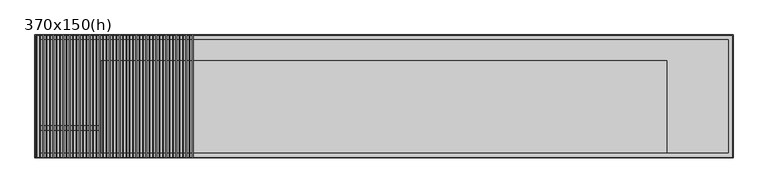
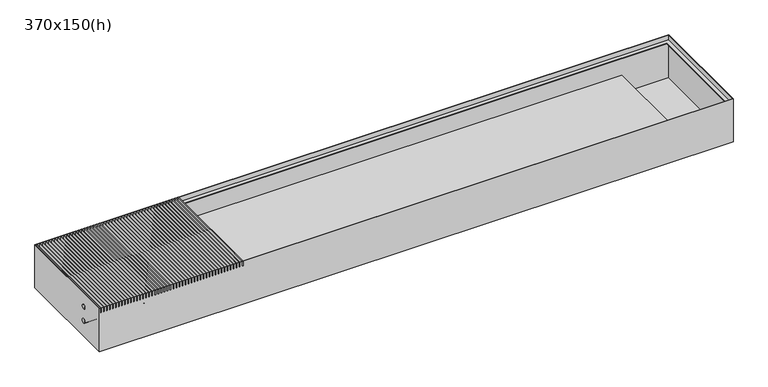
"""IFC4 building model written with IfcOpenShell, lengths in millimetres: proxy geometry, 370x150(h)."""

from ifc_helpers import new_model, si_unit, point, frame, frame_2d, origin, place, context, project, spatial, polyline, circle_curve, trimmed, segment, composite_curve, outline, extrude, faceted_brep, source, transform, mapped, element, save


def proxy_370x150_h_8a35f18a(model_context):
    return source(origin(), model_context, "Body", "SolidModel", [
        extrude(outline(polyline([(-574.0, -185.0), (-576.0, -185.0), (-576.0, 185.0), (-574.0, 185.0), (-574.0, -185.0)])), frame((0.0, 0.0, -15.0), z_axis=(0.0, 0.0, 1.0), x_axis=(1.0, 0.0, 0.0)), (0.0, 0.0, 1.0), 15.0),
        extrude(outline(polyline([(-584.0, -185.0), (-586.0, -185.0), (-586.0, 185.0), (-584.0, 185.0), (-584.0, -185.0)])), frame((0.0, 0.0, -15.0), z_axis=(0.0, 0.0, 1.0), x_axis=(1.0, 0.0, 0.0)), (0.0, 0.0, 1.0), 15.0),
        extrude(outline(polyline([(-594.0, -185.0), (-596.0, -185.0), (-596.0, 185.0), (-594.0, 185.0), (-594.0, -185.0)])), frame((0.0, 0.0, -15.0), z_axis=(0.0, 0.0, 1.0), x_axis=(1.0, 0.0, 0.0)), (0.0, 0.0, 1.0), 15.0),
        extrude(outline(polyline([(-604.0, -185.0), (-606.0, -185.0), (-606.0, 185.0), (-604.0, 185.0), (-604.0, -185.0)])), frame((0.0, 0.0, -15.0), z_axis=(0.0, 0.0, 1.0), x_axis=(1.0, 0.0, 0.0)), (0.0, 0.0, 1.0), 15.0),
        extrude(outline(polyline([(-614.0, -185.0), (-616.0, -185.0), (-616.0, 185.0), (-614.0, 185.0), (-614.0, -185.0)])), frame((0.0, 0.0, -15.0), z_axis=(0.0, 0.0, 1.0), x_axis=(1.0, 0.0, 0.0)), (0.0, 0.0, 1.0), 15.0),
        extrude(outline(polyline([(-624.0, -185.0), (-626.0, -185.0), (-626.0, 185.0), (-624.0, 185.0), (-624.0, -185.0)])), frame((0.0, 0.0, -15.0), z_axis=(0.0, 0.0, 1.0), x_axis=(1.0, 0.0, 0.0)), (0.0, 0.0, 1.0), 15.0),
        extrude(outline(polyline([(-634.0, -185.0), (-636.0, -185.0), (-636.0, 185.0), (-634.0, 185.0), (-634.0, -185.0)])), frame((0.0, 0.0, -15.0), z_axis=(0.0, 0.0, 1.0), x_axis=(1.0, 0.0, 0.0)), (0.0, 0.0, 1.0), 15.0),
        extrude(outline(polyline([(-644.0, -185.0), (-646.0, -185.0), (-646.0, 185.0), (-644.0, 185.0), (-644.0, -185.0)])), frame((0.0, 0.0, -15.0), z_axis=(0.0, 0.0, 1.0), x_axis=(1.0, 0.0, 0.0)), (0.0, 0.0, 1.0), 15.0),
        extrude(outline(polyline([(-654.0, -185.0), (-656.0, -185.0), (-656.0, 185.0), (-654.0, 185.0), (-654.0, -185.0)])), frame((0.0, 0.0, -15.0), z_axis=(0.0, 0.0, 1.0), x_axis=(1.0, 0.0, 0.0)), (0.0, 0.0, 1.0), 15.0),
        extrude(outline(polyline([(-664.0, -185.0), (-666.0, -185.0), (-666.0, 185.0), (-664.0, 185.0), (-664.0, -185.0)])), frame((0.0, 0.0, -15.0), z_axis=(0.0, 0.0, 1.0), x_axis=(1.0, 0.0, 0.0)), (0.0, 0.0, 1.0), 15.0),
        extrude(outline(polyline([(-674.0, -185.0), (-676.0, -185.0), (-676.0, 185.0), (-674.0, 185.0), (-674.0, -185.0)])), frame((0.0, 0.0, -15.0), z_axis=(0.0, 0.0, 1.0), x_axis=(1.0, 0.0, 0.0)), (0.0, 0.0, 1.0), 15.0),
        extrude(outline(polyline([(-684.0, -185.0), (-686.0, -185.0), (-686.0, 185.0), (-684.0, 185.0), (-684.0, -185.0)])), frame((0.0, 0.0, -15.0), z_axis=(0.0, 0.0, 1.0), x_axis=(1.0, 0.0, 0.0)), (0.0, 0.0, 1.0), 15.0),
        extrude(outline(polyline([(-694.0, -185.0), (-696.0, -185.0), (-696.0, 185.0), (-694.0, 185.0), (-694.0, -185.0)])), frame((0.0, 0.0, -15.0), z_axis=(0.0, 0.0, 1.0), x_axis=(1.0, 0.0, 0.0)), (0.0, 0.0, 1.0), 15.0),
        extrude(outline(polyline([(-704.0, -185.0), (-706.0, -185.0), (-706.0, 185.0), (-704.0, 185.0), (-704.0, -185.0)])), frame((0.0, 0.0, -15.0), z_axis=(0.0, 0.0, 1.0), x_axis=(1.0, 0.0, 0.0)), (0.0, 0.0, 1.0), 15.0),
        extrude(outline(polyline([(-714.0, -185.0), (-716.0, -185.0), (-716.0, 185.0), (-714.0, 185.0), (-714.0, -185.0)])), frame((0.0, 0.0, -15.0), z_axis=(0.0, 0.0, 1.0), x_axis=(1.0, 0.0, 0.0)), (0.0, 0.0, 1.0), 15.0),
        extrude(outline(polyline([(-724.0, -185.0), (-726.0, -185.0), (-726.0, 185.0), (-724.0, 185.0), (-724.0, -185.0)])), frame((0.0, 0.0, -15.0), z_axis=(0.0, 0.0, 1.0), x_axis=(1.0, 0.0, 0.0)), (0.0, 0.0, 1.0), 15.0),
        extrude(outline(polyline([(-734.0, -185.0), (-736.0, -185.0), (-736.0, 185.0), (-734.0, 185.0), (-734.0, -185.0)])), frame((0.0, 0.0, -15.0), z_axis=(0.0, 0.0, 1.0), x_axis=(1.0, 0.0, 0.0)), (0.0, 0.0, 1.0), 15.0),
        extrude(outline(polyline([(-744.0, -185.0), (-746.0, -185.0), (-746.0, 185.0), (-744.0, 185.0), (-744.0, -185.0)])), frame((0.0, 0.0, -15.0), z_axis=(0.0, 0.0, 1.0), x_axis=(1.0, 0.0, 0.0)), (0.0, 0.0, 1.0), 15.0),
        extrude(outline(polyline([(-754.0, -185.0), (-756.0, -185.0), (-756.0, 185.0), (-754.0, 185.0), (-754.0, -185.0)])), frame((0.0, 0.0, -15.0), z_axis=(0.0, 0.0, 1.0), x_axis=(1.0, 0.0, 0.0)), (0.0, 0.0, 1.0), 15.0),
        extrude(outline(polyline([(-764.0, -185.0), (-766.0, -185.0), (-766.0, 185.0), (-764.0, 185.0), (-764.0, -185.0)])), frame((0.0, 0.0, -15.0), z_axis=(0.0, 0.0, 1.0), x_axis=(1.0, 0.0, 0.0)), (0.0, 0.0, 1.0), 15.0),
        extrude(outline(polyline([(-774.0, -185.0), (-776.0, -185.0), (-776.0, 185.0), (-774.0, 185.0), (-774.0, -185.0)])), frame((0.0, 0.0, -15.0), z_axis=(0.0, 0.0, 1.0), x_axis=(1.0, 0.0, 0.0)), (0.0, 0.0, 1.0), 15.0),
        extrude(outline(polyline([(-784.0, -185.0), (-786.0, -185.0), (-786.0, 185.0), (-784.0, 185.0), (-784.0, -185.0)])), frame((0.0, 0.0, -15.0), z_axis=(0.0, 0.0, 1.0), x_axis=(1.0, 0.0, 0.0)), (0.0, 0.0, 1.0), 15.0),
        extrude(outline(polyline([(-794.0, -185.0), (-796.0, -185.0), (-796.0, 185.0), (-794.0, 185.0), (-794.0, -185.0)])), frame((0.0, 0.0, -15.0), z_axis=(0.0, 0.0, 1.0), x_axis=(1.0, 0.0, 0.0)), (0.0, 0.0, 1.0), 15.0),
        extrude(outline(polyline([(-804.0, -185.0), (-806.0, -185.0), (-806.0, 185.0), (-804.0, 185.0), (-804.0, -185.0)])), frame((0.0, 0.0, -15.0), z_axis=(0.0, 0.0, 1.0), x_axis=(1.0, 0.0, 0.0)), (0.0, 0.0, 1.0), 15.0),
        extrude(outline(polyline([(-814.0, -185.0), (-816.0, -185.0), (-816.0, 185.0), (-814.0, 185.0), (-814.0, -185.0)])), frame((0.0, 0.0, -15.0), z_axis=(0.0, 0.0, 1.0), x_axis=(1.0, 0.0, 0.0)), (0.0, 0.0, 1.0), 15.0),
        extrude(outline(polyline([(-824.0, -185.0), (-826.0, -185.0), (-826.0, 185.0), (-824.0, 185.0), (-824.0, -185.0)])), frame((0.0, 0.0, -15.0), z_axis=(0.0, 0.0, 1.0), x_axis=(1.0, 0.0, 0.0)), (0.0, 0.0, 1.0), 15.0),
        extrude(outline(polyline([(-834.0, -185.0), (-836.0, -185.0), (-836.0, 185.0), (-834.0, 185.0), (-834.0, -185.0)])), frame((0.0, 0.0, -15.0), z_axis=(0.0, 0.0, 1.0), x_axis=(1.0, 0.0, 0.0)), (0.0, 0.0, 1.0), 15.0),
        extrude(outline(polyline([(-844.0, -185.0), (-846.0, -185.0), (-846.0, 185.0), (-844.0, 185.0), (-844.0, -185.0)])), frame((0.0, 0.0, -15.0), z_axis=(0.0, 0.0, 1.0), x_axis=(1.0, 0.0, 0.0)), (0.0, 0.0, 1.0), 15.0),
        extrude(outline(polyline([(-854.0, -185.0), (-856.0, -185.0), (-856.0, 185.0), (-854.0, 185.0), (-854.0, -185.0)])), frame((0.0, 0.0, -15.0), z_axis=(0.0, 0.0, 1.0), x_axis=(1.0, 0.0, 0.0)), (0.0, 0.0, 1.0), 15.0),
        extrude(outline(polyline([(-864.0, -185.0), (-866.0, -185.0), (-866.0, 185.0), (-864.0, 185.0), (-864.0, -185.0)])), frame((0.0, 0.0, -15.0), z_axis=(0.0, 0.0, 1.0), x_axis=(1.0, 0.0, 0.0)), (0.0, 0.0, 1.0), 15.0),
        extrude(outline(polyline([(-874.0, -185.0), (-876.0, -185.0), (-876.0, 185.0), (-874.0, 185.0), (-874.0, -185.0)])), frame((0.0, 0.0, -15.0), z_axis=(0.0, 0.0, 1.0), x_axis=(1.0, 0.0, 0.0)), (0.0, 0.0, 1.0), 15.0),
        extrude(outline(polyline([(-884.0, -185.0), (-886.0, -185.0), (-886.0, 185.0), (-884.0, 185.0), (-884.0, -185.0)])), frame((0.0, 0.0, -15.0), z_axis=(0.0, 0.0, 1.0), x_axis=(1.0, 0.0, 0.0)), (0.0, 0.0, 1.0), 15.0),
        extrude(outline(polyline([(-894.0, -185.0), (-896.0, -185.0), (-896.0, 185.0), (-894.0, 185.0), (-894.0, -185.0)])), frame((0.0, 0.0, -15.0), z_axis=(0.0, 0.0, 1.0), x_axis=(1.0, 0.0, 0.0)), (0.0, 0.0, 1.0), 15.0),
        extrude(outline(polyline([(-904.0, -185.0), (-906.0, -185.0), (-906.0, 185.0), (-904.0, 185.0), (-904.0, -185.0)])), frame((0.0, 0.0, -15.0), z_axis=(0.0, 0.0, 1.0), x_axis=(1.0, 0.0, 0.0)), (0.0, 0.0, 1.0), 15.0),
        extrude(outline(polyline([(-914.0, -185.0), (-916.0, -185.0), (-916.0, 185.0), (-914.0, 185.0), (-914.0, -185.0)])), frame((0.0, 0.0, -15.0), z_axis=(0.0, 0.0, 1.0), x_axis=(1.0, 0.0, 0.0)), (0.0, 0.0, 1.0), 15.0),
        extrude(outline(polyline([(-924.0, -185.0), (-926.0, -185.0), (-926.0, 185.0), (-924.0, 185.0), (-924.0, -185.0)])), frame((0.0, 0.0, -15.0), z_axis=(0.0, 0.0, 1.0), x_axis=(1.0, 0.0, 0.0)), (0.0, 0.0, 1.0), 15.0),
        extrude(outline(polyline([(-934.0, -185.0), (-936.0, -185.0), (-936.0, 185.0), (-934.0, 185.0), (-934.0, -185.0)])), frame((0.0, 0.0, -15.0), z_axis=(0.0, 0.0, 1.0), x_axis=(1.0, 0.0, 0.0)), (0.0, 0.0, 1.0), 15.0),
        extrude(outline(polyline([(-944.0, -185.0), (-946.0, -185.0), (-946.0, 185.0), (-944.0, 185.0), (-944.0, -185.0)])), frame((0.0, 0.0, -15.0), z_axis=(0.0, 0.0, 1.0), x_axis=(1.0, 0.0, 0.0)), (0.0, 0.0, 1.0), 15.0),
        extrude(outline(polyline([(-954.0, -185.0), (-956.0, -185.0), (-956.0, 185.0), (-954.0, 185.0), (-954.0, -185.0)])), frame((0.0, 0.0, -15.0), z_axis=(0.0, 0.0, 1.0), x_axis=(1.0, 0.0, 0.0)), (0.0, 0.0, 1.0), 15.0),
        extrude(outline(polyline([(-964.0, -185.0), (-966.0, -185.0), (-966.0, 185.0), (-964.0, 185.0), (-964.0, -185.0)])), frame((0.0, 0.0, -15.0), z_axis=(0.0, 0.0, 1.0), x_axis=(1.0, 0.0, 0.0)), (0.0, 0.0, 1.0), 15.0),
        extrude(outline(polyline([(-974.0, -185.0), (-976.0, -185.0), (-976.0, 185.0), (-974.0, 185.0), (-974.0, -185.0)])), frame((0.0, 0.0, -15.0), z_axis=(0.0, 0.0, 1.0), x_axis=(1.0, 0.0, 0.0)), (0.0, 0.0, 1.0), 15.0),
        extrude(outline(polyline([(-984.0, -185.0), (-986.0, -185.0), (-986.0, 185.0), (-984.0, 185.0), (-984.0, -185.0)])), frame((0.0, 0.0, -15.0), z_axis=(0.0, 0.0, 1.0), x_axis=(1.0, 0.0, 0.0)), (0.0, 0.0, 1.0), 15.0),
        extrude(outline(polyline([(-994.0, -185.0), (-996.0, -185.0), (-996.0, 185.0), (-994.0, 185.0), (-994.0, -185.0)])), frame((0.0, 0.0, -15.0), z_axis=(0.0, 0.0, 1.0), x_axis=(1.0, 0.0, 0.0)), (0.0, 0.0, 1.0), 15.0),
        extrude(outline(polyline([(-1004.0, -185.0), (-1006.0, -185.0), (-1006.0, 185.0), (-1004.0, 185.0), (-1004.0, -185.0)])), frame((0.0, 0.0, -15.0), z_axis=(0.0, 0.0, 1.0), x_axis=(1.0, 0.0, 0.0)), (0.0, 0.0, 1.0), 15.0),
        extrude(outline(polyline([(-1014.0, -185.0), (-1016.0, -185.0), (-1016.0, 185.0), (-1014.0, 185.0), (-1014.0, -185.0)])), frame((0.0, 0.0, -15.0), z_axis=(0.0, 0.0, 1.0), x_axis=(1.0, 0.0, 0.0)), (0.0, 0.0, 1.0), 15.0),
        extrude(outline(polyline([(-1024.0, -185.0), (-1026.0, -185.0), (-1026.0, 185.0), (-1024.0, 185.0), (-1024.0, -185.0)])), frame((0.0, 0.0, -15.0), z_axis=(0.0, 0.0, 1.0), x_axis=(1.0, 0.0, 0.0)), (0.0, 0.0, 1.0), 15.0),
        extrude(outline(polyline([(-1034.0, -185.0), (-1036.0, -185.0), (-1036.0, 185.0), (-1034.0, 185.0), (-1034.0, -185.0)])), frame((0.0, 0.0, -15.0), z_axis=(0.0, 0.0, 1.0), x_axis=(1.0, 0.0, 0.0)), (0.0, 0.0, 1.0), 15.0),
        extrude(outline(polyline([(-1044.0, -185.0), (-1046.0, -185.0), (-1046.0, 185.0), (-1044.0, 185.0), (-1044.0, -185.0)])), frame((0.0, 0.0, -15.0), z_axis=(0.0, 0.0, 1.0), x_axis=(1.0, 0.0, 0.0)), (0.0, 0.0, 1.0), 15.0),
        extrude(outline(composite_curve([segment(trimmed(circle_curve(frame_2d((-95.0, -47.0)), 7.5), [point((-87.5, -47.0))], [point((-102.5, -47.0))], False, "CARTESIAN"), True, "CONTINUOUS"), segment(trimmed(circle_curve(frame_2d((-95.0, -47.0)), 7.5), [point((-102.5, -47.0))], [point((-87.5, -47.0))], False, "CARTESIAN"), True, "CONTINUOUS")], self_intersect=False)), frame((-1050.0, 0.0, 0.0), z_axis=(1.0, 0.0, 0.0), x_axis=(0.0, 1.0, 0.0)), (0.0, 0.0, 1.0), 200.0),
        extrude(outline(composite_curve([segment(trimmed(circle_curve(frame_2d((-95.0, -97.0)), 7.5), [point((-87.5, -97.0))], [point((-102.5, -97.0))], False, "CARTESIAN"), True, "CONTINUOUS"), segment(trimmed(circle_curve(frame_2d((-95.0, -97.0)), 7.5), [point((-102.5, -97.0))], [point((-87.5, -97.0))], False, "CARTESIAN"), True, "CONTINUOUS")], self_intersect=False)), frame((-1050.0, 0.0, 0.0), z_axis=(1.0, 0.0, 0.0), x_axis=(0.0, 1.0, 0.0)), (0.0, 0.0, 1.0), 200.0),
        extrude(outline(polyline([(-850.00456, -170.0), (-850.00456, 107.5), (850.0, 107.5), (850.0, -170.0), (-850.00456, -170.0)])), frame((0.0, 0.0, -145.0), z_axis=(0.0, 0.0, 1.0), x_axis=(1.0, 0.0, 0.0)), (0.0, 0.0, 1.0), 120.0),
        faceted_brep([(1048.0084262, -183.0, -148.0), (1048.0084262, 183.0, -148.0), (-1047.9915738, 183.0, -148.0), (-1047.9915738, -183.0, -148.0), (1050.0084262, -185.0, -150.0), (-1049.9915738, -185.0, -150.0), (-1049.9915738, 185.0, -150.0), (1050.0084262, 185.0, -150.0), (1050.0084262, -185.0, 0.0), (-1049.9915738, -185.0, 0.0), (-1049.9915738, 185.0, 0.0), (1050.0084262, 185.0, 0.0), (-1047.9915738, -183.0, 0.0), (-1047.9915738, 183.0, 0.0), (1048.0084262, 183.0, 0.0), (1048.0084262, -183.0, 0.0)], [[[0, 1, 2, 3]], [[4, 5, 6, 7]], [[4, 8, 9, 5]], [[9, 10, 6, 5]], [[10, 11, 7, 6]], [[11, 8, 4, 7]], [[8, 11, 10, 9], [12, 13, 14, 15]], [[15, 0, 3, 12]], [[14, 1, 0, 15]], [[13, 2, 1, 14]], [[12, 3, 2, 13]]]),
        faceted_brep([(-1049.9915738, -185.0, 0.0), (-1049.9915738, 185.0, 0.0), (-1049.9915738, 185.0, -17.0), (-1049.9915738, -185.0, -17.0), (1050.0084262, -185.0, -17.0), (1050.0084262, 185.0, -17.0), (1050.0084262, 185.0, 0.0), (1050.0084262, -185.0, 0.0), (-1034.9915738, 170.0, -17.0), (-1034.9915738, -170.0, -17.0), (1035.0084262, -170.0, -17.0), (1035.0084262, 170.0, -17.0), (-1034.9915738, -170.0, -15.0), (1035.0084262, -170.0, -15.0), (-1047.9915738, -183.0, -15.0), (1048.0084262, -183.0, -15.0), (1048.0084262, 183.0, -15.0), (-1047.9915738, 183.0, -15.0), (-1034.9915738, 170.0, -15.0), (1035.0084262, 170.0, -15.0), (-1047.9915738, -183.0, 0.0), (1048.0084262, -183.0, 0.0), (-1047.9915738, 183.0, 0.0), (1048.0084262, 183.0, 0.0)], [[[0, 1, 2, 3]], [[4, 5, 6, 7]], [[4, 3, 2, 5], [8, 9, 10, 11]], [[12, 13, 10, 9]], [[14, 15, 16, 17], [18, 19, 13, 12]], [[20, 21, 15, 14]], [[6, 1, 0, 7], [20, 22, 23, 21]], [[4, 7, 0, 3]], [[6, 5, 2, 1]], [[9, 8, 18, 12]], [[14, 17, 22, 20]], [[10, 13, 19, 11]], [[23, 16, 15, 21]], [[16, 23, 22, 17]], [[8, 11, 19, 18]]]),
    ])


if __name__ == "__main__":
    model = new_model("IFC4")
    model_context = context("Model", 3, world=origin())
    ifc_project = project(units=[si_unit("LENGTHUNIT", "METRE", prefix="MILLI")], contexts=[model_context])
    site = spatial("IfcSite", under=ifc_project)
    building = spatial("IfcBuilding", under=site)
    placement = place(None, origin())
    proxy_370x150_h_shape = proxy_370x150_h_8a35f18a(model_context)
    element("IfcBuildingElementProxy", 1, Name="370x150(h)", ObjectType="370x150(h)", at=placement, inside=building, context=model_context, shape_type="MappedRepresentation", body=[
        mapped(proxy_370x150_h_shape, transform((0.0, 0.0, 0.0), x_axis=(1.0, 0.0, 0.0), y_axis=(0.0, 1.0, 0.0), z_axis=(0.0, 0.0, 1.0))),
    ])
    save(model, "model.ifc")
